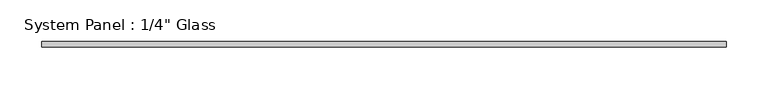
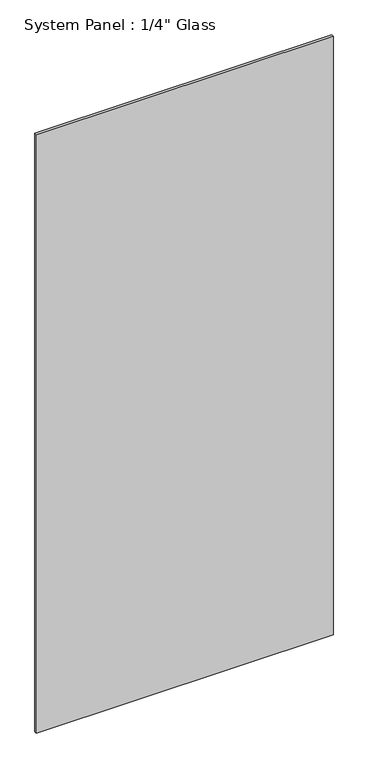
"""IFC4 building model written with IfcOpenShell, lengths in millimetres: plate geometry."""

from ifc_helpers import new_model, si_unit, origin, origin_with_axes, place, context, project, spatial, polyline, outline, extrude, source, transform, mapped, element, save


def plate_efdcaf35(model_context):
    return source(origin(), model_context, "Body", "SweptSolid", [
        extrude(outline(polyline([(407.9875, -3.175), (-407.9875, -3.175), (-407.9875, 3.175), (407.9875, 3.175), (407.9875, -3.175)])), origin_with_axes(), (0.0, 0.0, 1.0), 1739.9),
    ])


if __name__ == "__main__":
    model = new_model("IFC4")
    model_context = context("Model", 3, world=origin())
    ifc_project = project(units=[si_unit("LENGTHUNIT", "METRE", prefix="MILLI")], contexts=[model_context])
    site = spatial("IfcSite", under=ifc_project)
    building = spatial("IfcBuilding", under=site)
    placement = place(None, origin())
    plate_shape = plate_efdcaf35(model_context)
    element("IfcPlate", 1, ObjectType="System Panel : 1/4\" Glass", at=placement, inside=building, context=model_context, shape_type="MappedRepresentation", body=[
        mapped(plate_shape, transform((0.0, 0.0, 0.0), x_axis=(1.0, 0.0, 0.0), y_axis=(0.0, 1.0, 0.0), z_axis=(0.0, 0.0, 1.0))),
    ])
    save(model, "model.ifc")
